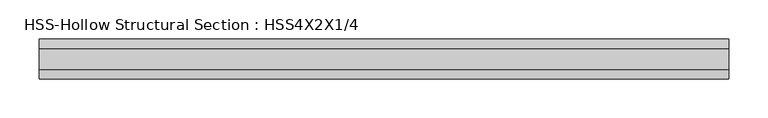
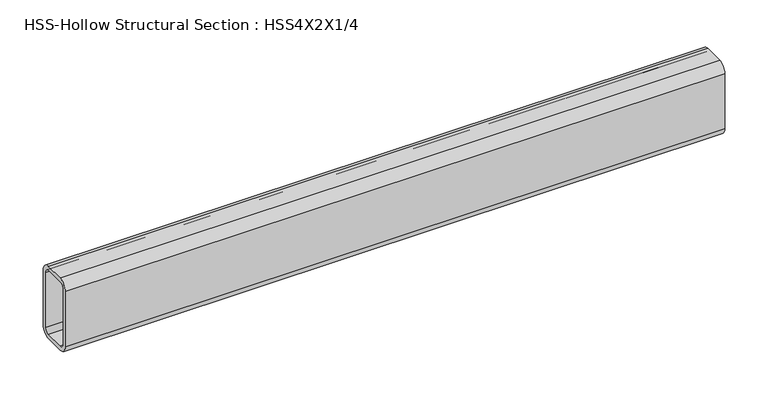
"""IFC4 building model written with IfcOpenShell, lengths in millimetres: beam geometry, HSS-Hollow Structural Section : HSS4X2X1/4."""

from ifc_helpers import new_model, si_unit, point, frame, frame_2d, origin, place, context, project, spatial, polyline, circle_curve, trimmed, segment, composite_curve, outline, extrude, source, transform, mapped, element, save


def hss_hollow_structural_section_hss4x2x1_4_f39a32cd(model_context):
    return source(origin(), model_context, "Body", "SweptSolid", [
        extrude(outline(composite_curve([segment(polyline([(25.4, 38.9636), (25.4, -38.9636)]), True, "CONTINUOUS"), segment(trimmed(circle_curve(frame_2d((13.5636, -38.9636)), 11.8364), [point((25.4, -38.9636))], [point((13.5636, -50.8))], False, "CARTESIAN"), True, "CONTINUOUS"), segment(polyline([(13.5636, -50.8), (-13.5636, -50.8)]), True, "CONTINUOUS"), segment(trimmed(circle_curve(frame_2d((-13.5636, -38.9636)), 11.8364), [point((-13.5636, -50.8))], [point((-25.4, -38.9636))], False, "CARTESIAN"), True, "CONTINUOUS"), segment(polyline([(-25.4, -38.9636), (-25.4, 38.9636)]), True, "CONTINUOUS"), segment(trimmed(circle_curve(frame_2d((-13.5636, 38.9636)), 11.8364), [point((-25.4, 38.9636))], [point((-13.5636, 50.8))], False, "CARTESIAN"), True, "CONTINUOUS"), segment(polyline([(-13.5636, 50.8), (13.5636, 50.8)]), True, "CONTINUOUS"), segment(trimmed(circle_curve(frame_2d((13.5636, 38.9636)), 11.8364), [point((13.5636, 50.8))], [point((25.4, 38.9636))], False, "CARTESIAN"), True, "CONTINUOUS")], self_intersect=False), holes=[composite_curve([segment(trimmed(circle_curve(frame_2d((-13.5636, 38.9636)), 5.9182), [point((-13.5636, 44.8818))], [point((-19.4818, 38.9636))], True, "CARTESIAN"), True, "CONTINUOUS"), segment(polyline([(-19.4818, 38.9636), (-19.4818, -38.9636)]), True, "CONTINUOUS"), segment(trimmed(circle_curve(frame_2d((-13.5636, -38.9636)), 5.9182), [point((-19.4818, -38.9636))], [point((-13.5636, -44.8818))], True, "CARTESIAN"), True, "CONTINUOUS"), segment(polyline([(-13.5636, -44.8818), (13.5636, -44.8818)]), True, "CONTINUOUS"), segment(trimmed(circle_curve(frame_2d((13.5636, -38.9636)), 5.9182), [point((13.5636, -44.8818))], [point((19.4818, -38.9636))], True, "CARTESIAN"), True, "CONTINUOUS"), segment(polyline([(19.4818, -38.9636), (19.4818, 38.9636)]), True, "CONTINUOUS"), segment(trimmed(circle_curve(frame_2d((13.5636, 38.9636)), 5.9182), [point((19.4818, 38.9636))], [point((13.5636, 44.8818))], True, "CARTESIAN"), True, "CONTINUOUS"), segment(polyline([(13.5636, 44.8818), (-13.5636, 44.8818)]), True, "CONTINUOUS")], self_intersect=False)]), frame((-439.3518075, 0.0, 0.0), z_axis=(1.0, 0.0, 0.0), x_axis=(0.0, 1.0, 0.0)), (0.0, 0.0, 1.0), 878.2006951),
    ])


if __name__ == "__main__":
    model = new_model("IFC4")
    model_context = context("Model", 3, world=origin())
    ifc_project = project(units=[si_unit("LENGTHUNIT", "METRE", prefix="MILLI")], contexts=[model_context])
    site = spatial("IfcSite", under=ifc_project)
    building = spatial("IfcBuilding", under=site)
    placement = place(None, origin())
    hss_hollow_structural_section_hss4x2x1_4_shape = hss_hollow_structural_section_hss4x2x1_4_f39a32cd(model_context)
    element("IfcBeam", 1, ObjectType="HSS-Hollow Structural Section : HSS4X2X1/4", at=placement, inside=building, context=model_context, shape_type="MappedRepresentation", body=[
        mapped(hss_hollow_structural_section_hss4x2x1_4_shape, transform((0.0, 0.0, 0.0), x_axis=(1.0, 0.0, 0.0), y_axis=(0.0, 1.0, 0.0), z_axis=(0.0, 0.0, 1.0))),
    ])
    save(model, "model.ifc")
